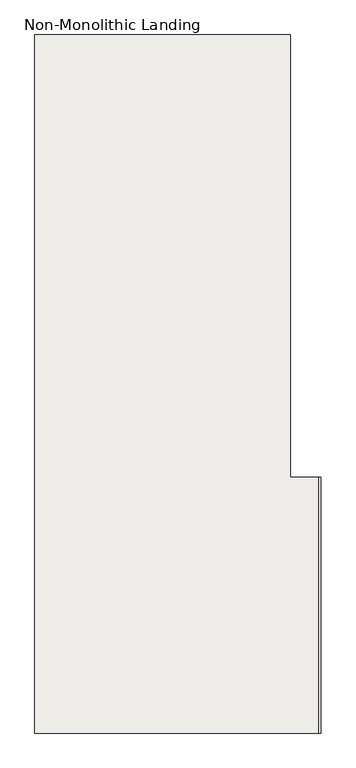
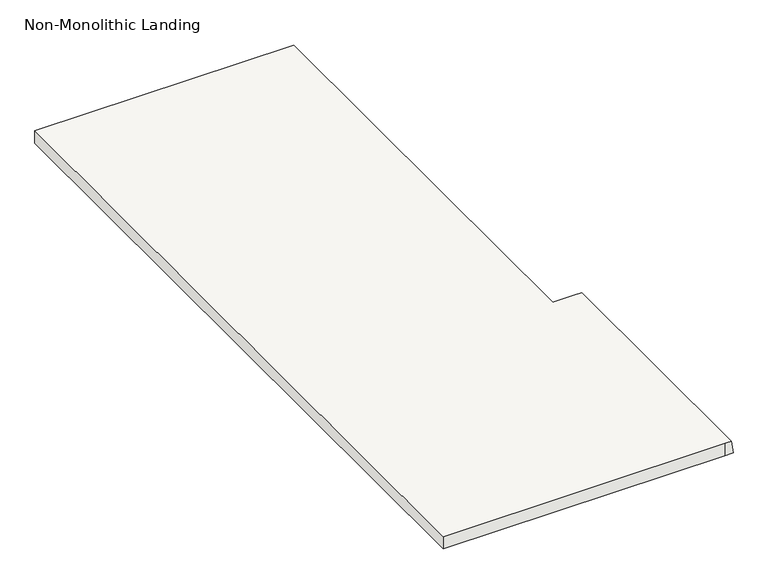
"""IFC4 building model written with IfcOpenShell, lengths in millimetres: slab geometry, Non-Monolithic Landing."""

from ifc_helpers import new_model, si_unit, origin, place, context, project, spatial, faceted_brep, source, transform, mapped, element, save


def non_monolithic_landing_3894a092(model_context):
    return source(origin(), model_context, "Body", "Brep", [
        faceted_brep([(-7010.9428289, -478.8193654, 1913.0434783), (-7003.7553289, -478.8193654, 1863.0434783), (-7003.7553289, 521.1806346, 1863.0434783), (-7010.9428289, 521.1806346, 1913.0434783), (-7123.5788798, 2252.5953921, 1913.0434783), (-8123.5788798, 2252.5953921, 1913.0434783), (-8123.5788798, -478.8193654, 1913.0434783), (-7035.9428289, -478.8193654, 1913.0434783), (-7035.9428289, 521.1806346, 1913.0434783), (-7123.5788798, 521.1806346, 1913.0434783), (-7123.5788798, 1252.5953921, 1913.0434783), (-8123.5788798, -478.8193654, 1863.0434783), (-8123.5788798, 2252.5953921, 1863.0434783), (-7130.7663798, 2252.5953921, 1863.0434783), (-7130.7663798, 1252.5953921, 1863.0434783), (-7123.5788798, 1252.5953921, 1863.0434783), (-7123.5788798, 521.1806346, 1863.0434783), (-7035.9428289, 521.1806346, 1863.0434783), (-7035.9428289, -478.8193654, 1863.0434783)], [[[0, 1, 2, 3]], [[4, 5, 6, 7, 0, 3, 8, 9, 10]], [[11, 12, 13, 14, 15, 16, 17, 2, 1, 18]], [[5, 4, 13, 12]], [[6, 5, 12, 11]], [[7, 6, 11, 18]], [[0, 7, 18, 1]], [[8, 3, 2, 17]], [[9, 8, 17, 16]], [[10, 9, 16, 15]], [[14, 10, 15]], [[10, 14, 13, 4]]]),
    ])


if __name__ == "__main__":
    model = new_model("IFC4")
    model_context = context("Model", 3, world=origin())
    ifc_project = project(units=[si_unit("LENGTHUNIT", "METRE", prefix="MILLI")], contexts=[model_context])
    site = spatial("IfcSite", under=ifc_project)
    building = spatial("IfcBuilding", under=site)
    placement = place(None, origin())
    non_monolithic_landing_shape = non_monolithic_landing_3894a092(model_context)
    element("IfcSlab", 1, ObjectType="Non-Monolithic Landing", at=placement, inside=building, context=model_context, shape_type="MappedRepresentation", body=[
        mapped(non_monolithic_landing_shape, transform((0.0, 0.0, 0.0), x_axis=(1.0, 0.0, 0.0), y_axis=(0.0, 1.0, 0.0), z_axis=(0.0, 0.0, 1.0))),
    ])
    save(model, "model.ifc")
